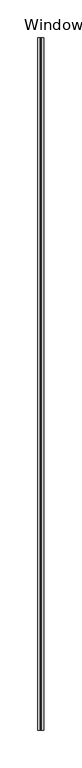
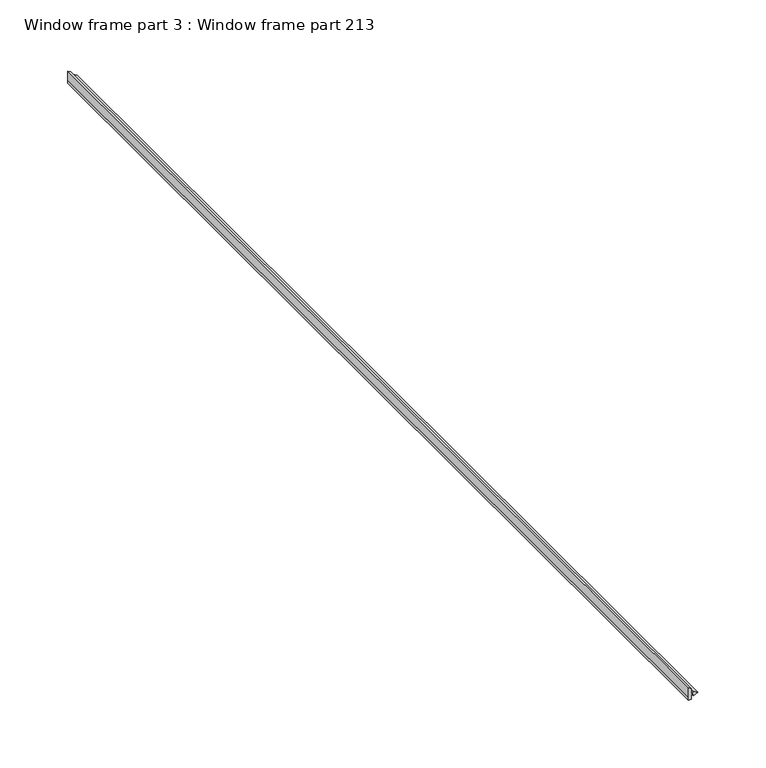
"""IFC4 building model written with IfcOpenShell, lengths in millimetres: proxy geometry, Window frame part 3 : Window frame part 213."""

from ifc_helpers import new_model, si_unit, frame, origin, place, context, project, spatial, polyline, outline, extrude, source, transform, mapped, element, save


def window_frame_part_3_window_frame_part_213_8dc7c236(model_context):
    return source(origin(), model_context, "Body", "SweptSolid", [
        extrude(outline(polyline([(2017.9624581, 37056.9613545), (2017.9624581, 37059.3362545), (2021.9430127, 37059.3362545), (2021.9430127, 37060.4942929), (2020.193924, 37061.2331903), (2022.3398878, 37064.9501086), (2024.4858515, 37061.2331905), (2022.7367627, 37060.4942929), (2022.7367627, 37059.3362545), (2027.4874581, 37059.3362545), (2028.8586072, 37056.9613545), (2020.7117317, 37056.9613545), (2017.9624581, 37056.9613545)])), frame((0.0, -25196.3529946, 0.0), z_axis=(0.0, 1.0, 0.0), x_axis=(0.0, 0.0, 1.0)), (0.0, 0.0, 1.0), 914.4),
    ])


if __name__ == "__main__":
    model = new_model("IFC4")
    model_context = context("Model", 3, world=origin())
    ifc_project = project(units=[si_unit("LENGTHUNIT", "METRE", prefix="MILLI")], contexts=[model_context])
    site = spatial("IfcSite", under=ifc_project)
    building = spatial("IfcBuilding", under=site)
    placement = place(None, origin())
    window_frame_part_3_window_frame_part_213_shape = window_frame_part_3_window_frame_part_213_8dc7c236(model_context)
    element("IfcBuildingElementProxy", 1, Name="Window frame part 3 : Window frame part 213", ObjectType="Window frame part 3 : Window frame part 213", at=placement, inside=building, context=model_context, shape_type="MappedRepresentation", body=[
        mapped(window_frame_part_3_window_frame_part_213_shape, transform((0.0, 0.0, 0.0), x_axis=(1.0, 0.0, 0.0), y_axis=(0.0, 1.0, 0.0), z_axis=(0.0, 0.0, 1.0))),
    ])
    save(model, "model.ifc")
